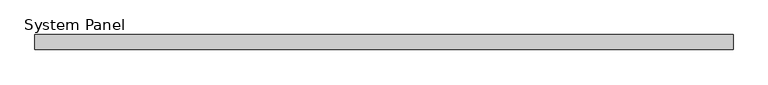
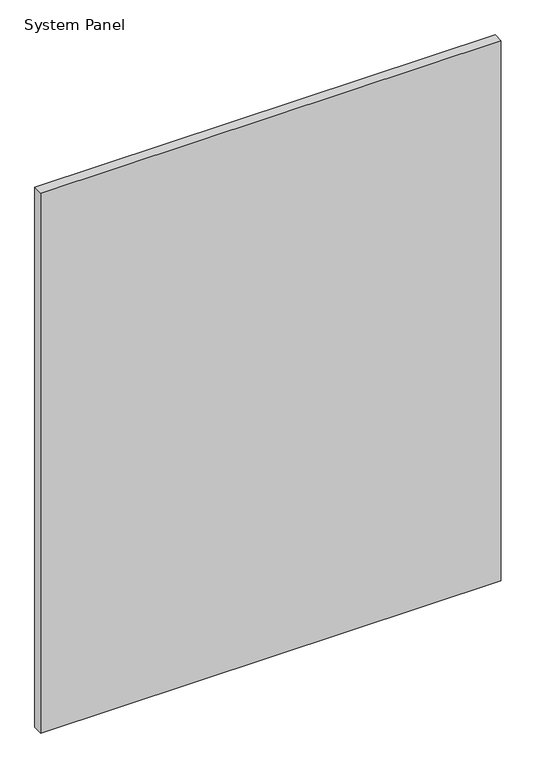
"""IFC4 building model written with IfcOpenShell, lengths in millimetres: plate geometry, System Panel."""

from ifc_helpers import new_model, si_unit, origin, origin_with_axes, place, context, project, spatial, polyline, outline, extrude, source, transform, mapped, element, save


def system_panel_8a135c79(model_context):
    return source(origin(), model_context, "Body", "SweptSolid", [
        extrude(outline(polyline([(587.3769862, -0.85), (-587.3769862, -0.85), (-587.3769862, 24.45), (587.3769862, 24.45), (587.3769862, -0.85)])), origin_with_axes(), (0.0, 0.0, 1.0), 1455.7969039),
    ])


if __name__ == "__main__":
    model = new_model("IFC4")
    model_context = context("Model", 3, world=origin())
    ifc_project = project(units=[si_unit("LENGTHUNIT", "METRE", prefix="MILLI")], contexts=[model_context])
    site = spatial("IfcSite", under=ifc_project)
    building = spatial("IfcBuilding", under=site)
    placement = place(None, origin())
    system_panel_shape = system_panel_8a135c79(model_context)
    element("IfcPlate", 1, ObjectType="System Panel", at=placement, inside=building, context=model_context, shape_type="MappedRepresentation", body=[
        mapped(system_panel_shape, transform((0.0, 0.0, 0.0), x_axis=(1.0, 0.0, 0.0), y_axis=(0.0, 1.0, 0.0), z_axis=(0.0, 0.0, 1.0))),
    ])
    save(model, "model.ifc")
